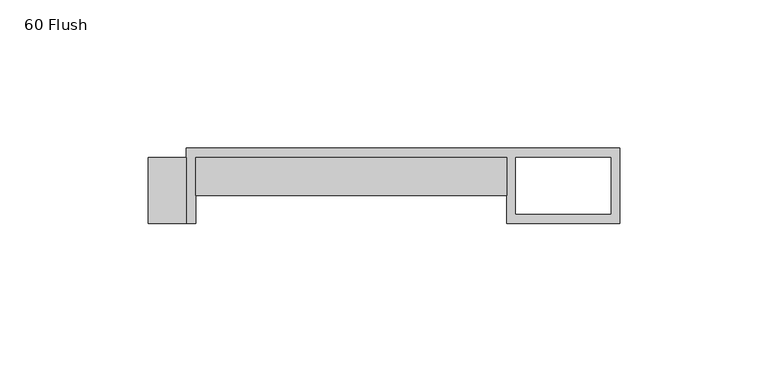
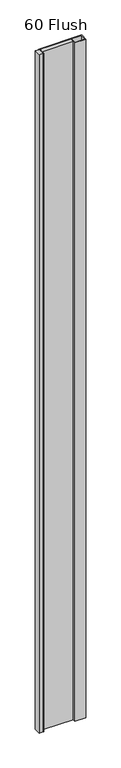
"""IFC4 building model written with IfcOpenShell, lengths in millimetres: proxy geometry, 60 Flush."""

from ifc_helpers import new_model, si_unit, origin, origin_with_axes, place, context, project, spatial, polyline, outline, extrude, source, transform, mapped, element, save


def proxy_60_flush_27471044(model_context):
    return source(origin(), model_context, "Body", "SweptSolid", [
        extrude(outline(polyline([(-107.95, 22.225), (-107.95, 0.0), (-120.65, 0.0), (-120.65, 22.225), (-107.95, 22.225)])), origin_with_axes(), (0.0, 0.0, 1.0), 2438.4),
        extrude(outline(polyline([(0.0, 22.225), (0.0, 9.525), (-104.775, 9.525), (-104.775, 22.225), (0.0, 22.225)])), origin_with_axes(), (0.0, 0.0, 1.0), 2438.4),
        extrude(outline(polyline([(-107.95, 0.0), (-107.95, 25.4), (38.1, 25.4), (38.1, 0.0), (0.0, 0.0), (0.0, 22.225), (-104.775, 22.225), (-104.775, 0.0), (-107.95, 0.0)]), holes=[polyline([(3.175, 3.175), (35.1499571, 3.175), (35.1499571, 22.225), (3.175, 22.225), (3.175, 3.175)])]), origin_with_axes(), (0.0, 0.0, 1.0), 2438.4),
    ])


if __name__ == "__main__":
    model = new_model("IFC4")
    model_context = context("Model", 3, world=origin())
    ifc_project = project(units=[si_unit("LENGTHUNIT", "METRE", prefix="MILLI")], contexts=[model_context])
    site = spatial("IfcSite", under=ifc_project)
    building = spatial("IfcBuilding", under=site)
    placement = place(None, origin())
    proxy_60_flush_shape = proxy_60_flush_27471044(model_context)
    element("IfcBuildingElementProxy", 1, Name="60 Flush", ObjectType="60 Flush", at=placement, inside=building, context=model_context, shape_type="MappedRepresentation", body=[
        mapped(proxy_60_flush_shape, transform((0.0, 0.0, 0.0), x_axis=(1.0, 0.0, 0.0), y_axis=(0.0, 1.0, 0.0), z_axis=(0.0, 0.0, 1.0))),
    ])
    save(model, "model.ifc")
